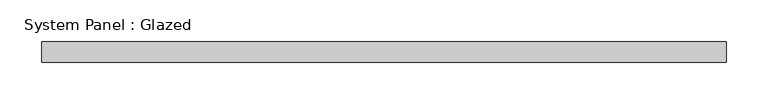
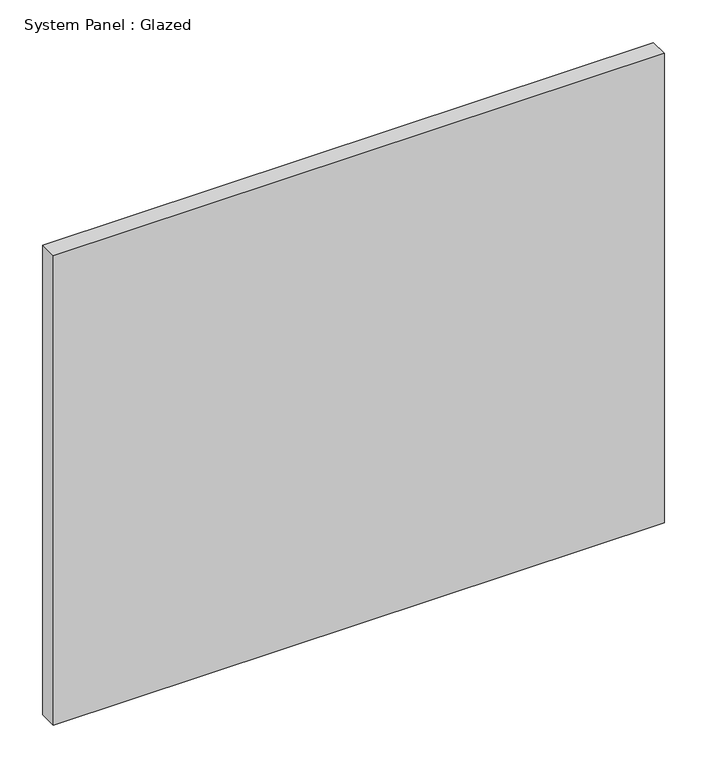
"""IFC4 building model written with IfcOpenShell, lengths in millimetres: plate geometry, System Panel : Glazed."""

from ifc_helpers import new_model, si_unit, origin, origin_with_axes, place, context, project, spatial, polyline, outline, extrude, source, transform, mapped, element, save


def system_panel_glazed_0ecfe820(model_context):
    return source(origin(), model_context, "Body", "SweptSolid", [
        extrude(outline(polyline([(412.5, 24.5), (-412.5, 24.5), (-412.5, 49.5), (412.5, 49.5), (412.5, 24.5)])), origin_with_axes(), (0.0, 0.0, 1.0), 670.0),
    ])


if __name__ == "__main__":
    model = new_model("IFC4")
    model_context = context("Model", 3, world=origin())
    ifc_project = project(units=[si_unit("LENGTHUNIT", "METRE", prefix="MILLI")], contexts=[model_context])
    site = spatial("IfcSite", under=ifc_project)
    building = spatial("IfcBuilding", under=site)
    placement = place(None, origin())
    system_panel_glazed_shape = system_panel_glazed_0ecfe820(model_context)
    element("IfcPlate", 1, ObjectType="System Panel : Glazed", at=placement, inside=building, context=model_context, shape_type="MappedRepresentation", body=[
        mapped(system_panel_glazed_shape, transform((0.0, 0.0, 0.0), x_axis=(1.0, 0.0, 0.0), y_axis=(0.0, 1.0, 0.0), z_axis=(0.0, 0.0, 1.0))),
    ])
    save(model, "model.ifc")
